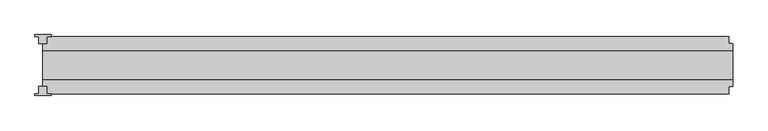
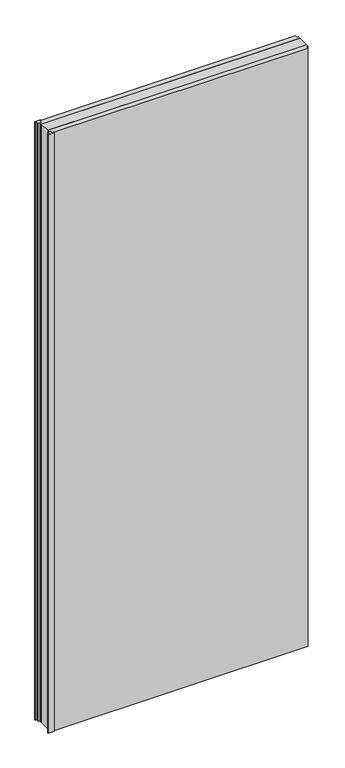
"""IFC4 building model written with IfcOpenShell, lengths in millimetres: plate geometry."""

from ifc_helpers import new_model, si_unit, origin, origin_with_axes, place, context, project, spatial, polyline, outline, extrude, source, transform, mapped, element, save


def plate_ff7db842(model_context):
    return source(origin(), model_context, "Body", "SweptSolid", [
        extrude(outline(polyline([(-586.0, -53.0), (-614.0, -53.0), (-614.0, -50.0), (-607.0, -50.0), (-607.0, -37.5), (-593.0, -37.5), (-593.0, -50.0), (-586.0, -50.0), (-586.0, -53.0)])), origin_with_axes(), (0.0, 0.0, 1.0), 2930.0),
        extrude(outline(polyline([(-586.0, 53.0), (-586.0, 50.0), (-593.0, 50.0), (-593.0, 37.5), (-607.0, 37.5), (-607.0, 50.0), (-614.0, 50.0), (-614.0, 53.0), (-586.0, 53.0)])), origin_with_axes(), (0.0, 0.0, 1.0), 2930.0),
        extrude(outline(polyline([(600.0, 25.0), (600.0, -25.0), (-600.0, -25.0), (-600.0, 25.0), (600.0, 25.0)])), origin_with_axes(), (0.0, 0.0, 1.0), 2930.0),
        extrude(outline(polyline([(600.0, 25.0), (-600.0, 25.0), (-600.0, 37.5), (-593.0, 37.5), (-593.0, 50.0), (593.0, 50.0), (593.0, 37.5), (600.0, 37.5), (600.0, 25.0)])), origin_with_axes(), (0.0, 0.0, 1.0), 2930.0),
        extrude(outline(polyline([(-600.0, -25.0), (600.0, -25.0), (600.0, -37.5), (593.0, -37.5), (593.0, -50.0), (-593.0, -50.0), (-593.0, -37.5), (-600.0, -37.5), (-600.0, -25.0)])), origin_with_axes(), (0.0, 0.0, 1.0), 2930.0),
    ])


if __name__ == "__main__":
    model = new_model("IFC4")
    model_context = context("Model", 3, world=origin())
    ifc_project = project(units=[si_unit("LENGTHUNIT", "METRE", prefix="MILLI")], contexts=[model_context])
    site = spatial("IfcSite", under=ifc_project)
    building = spatial("IfcBuilding", under=site)
    placement = place(None, origin())
    plate_shape = plate_ff7db842(model_context)
    element("IfcPlate", 1, at=placement, inside=building, context=model_context, shape_type="MappedRepresentation", body=[
        mapped(plate_shape, transform((0.0, 0.0, 0.0), x_axis=(1.0, 0.0, 0.0), y_axis=(0.0, 1.0, 0.0), z_axis=(0.0, 0.0, 1.0))),
    ])
    save(model, "model.ifc")
